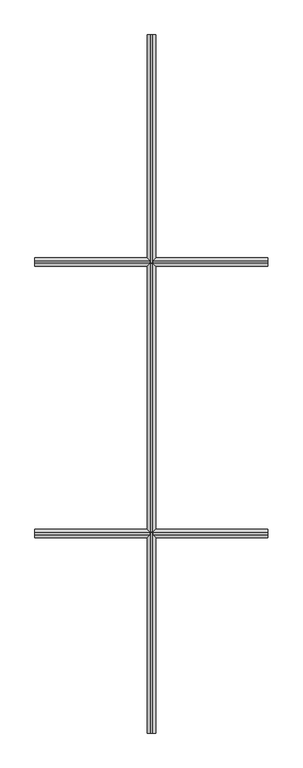
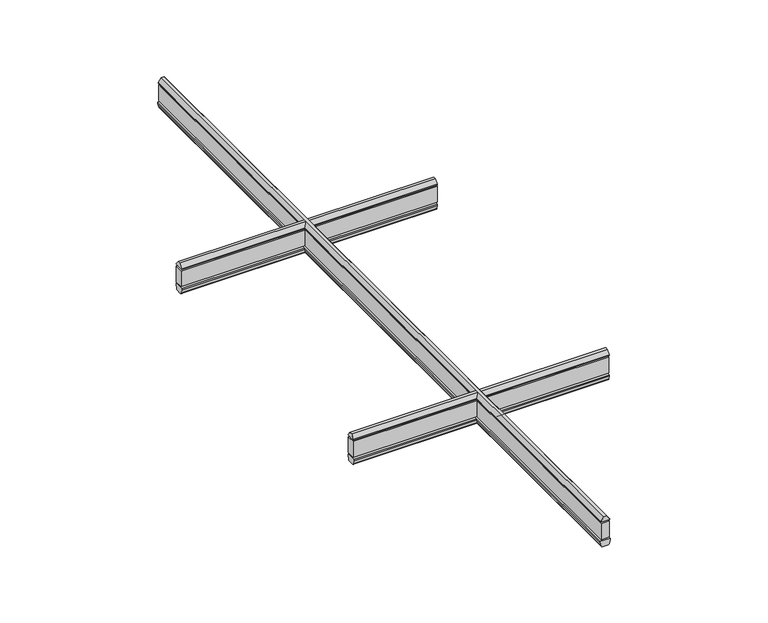
"""IFC4 building model written with IfcOpenShell, lengths in millimetres: proxy geometry."""

from ifc_helpers import new_model, si_unit, point, frame, frame_2d, origin, place, context, project, spatial, polyline, circle_curve, trimmed, segment, composite_curve, outline, extrude, source, transform, mapped, element, save


def generic_models_8a0b7207(model_context):
    return source(origin(), model_context, "Body", "SweptSolid", [
        extrude(outline(polyline([(1.7721638, 107.3820754), (0.0, 107.3820754), (0.0, 129.3820754), (1.7721638, 129.3820754), (11.3, 121.9381139), (11.3, 114.8260369), (1.7721638, 107.3820754)])), frame((0.0, -981.6979433, 0.0), z_axis=(0.0, 1.0, 0.0), x_axis=(0.0, 0.0, 1.0)), (0.0, 0.0, 1.0), 1827.9853193),
        extrude(outline(composite_curve([segment(trimmed(circle_curve(frame_2d((-59.7, 111.6808907)), 3.0), [point((-60.3237351, 108.7464479))], [point((-62.7, 111.6808907))], False, "CARTESIAN"), True, "CONTINUOUS"), segment(polyline([(-62.7, 111.6808907), (-62.7, 125.0832601)]), True, "CONTINUOUS"), segment(trimmed(circle_curve(frame_2d((-59.7, 125.0832601)), 3.0), [point((-62.7, 125.0832601))], [point((-60.3237351, 128.0177029))], False, "CARTESIAN"), True, "CONTINUOUS"), segment(polyline([(-60.3237351, 128.0177029), (-51.5525521, 129.8820754), (-48.0, 129.8820754), (-48.0, 106.8820754), (-51.5525521, 106.8820754), (-60.3237351, 108.7464479)]), True, "CONTINUOUS")], self_intersect=False)), frame((0.0, -981.6979433, 0.0), z_axis=(0.0, 1.0, 0.0), x_axis=(0.0, 0.0, 1.0)), (0.0, 0.0, 1.0), 1827.9853193),
        extrude(outline(polyline([(128.3820754, -981.6979433), (108.3820754, -981.6979433), (108.3820754, 846.287376), (128.3820754, 846.287376), (128.3820754, -981.6979433)])), frame((0.0, 0.0, -44.0237411), z_axis=(0.0, 0.0, 1.0), x_axis=(1.0, 0.0, 0.0)), (0.0, 0.0, 1.0), 40.0237411),
        extrude(outline(polyline([(240.5398889, 1.7721638), (247.9838504, 11.3), (255.0959274, 11.3), (262.5398889, 1.7721638), (262.5398889, 0.0), (240.5398889, 0.0), (240.5398889, 1.7721638)])), frame((-186.6105843, 0.0, 0.0), z_axis=(1.0, 0.0, 0.0), x_axis=(0.0, 1.0, 0.0)), (0.0, 0.0, 1.0), 609.9853193),
        extrude(outline(composite_curve([segment(polyline([(241.9042614, -60.3237351), (240.0398889, -51.5525521), (240.0398889, -48.0), (263.0398889, -48.0), (263.0398889, -51.5525521), (261.1755164, -60.3237351)]), True, "CONTINUOUS"), segment(trimmed(circle_curve(frame_2d((258.2410736, -59.7)), 3.0), [point((261.1755164, -60.3237351))], [point((258.2410736, -62.7))], False, "CARTESIAN"), True, "CONTINUOUS"), segment(polyline([(258.2410736, -62.7), (244.8387042, -62.7)]), True, "CONTINUOUS"), segment(trimmed(circle_curve(frame_2d((244.8387042, -59.7)), 3.0), [point((244.8387042, -62.7))], [point((241.9042614, -60.3237351))], False, "CARTESIAN"), True, "CONTINUOUS")], self_intersect=False)), frame((-186.6105843, 0.0, 0.0), z_axis=(1.0, 0.0, 0.0), x_axis=(0.0, 1.0, 0.0)), (0.0, 0.0, 1.0), 609.9853193),
        extrude(outline(polyline([(423.3747351, 261.5398889), (423.3747351, 241.5398889), (-186.6105843, 241.5398889), (-186.6105843, 261.5398889), (423.3747351, 261.5398889)])), frame((0.0, 0.0, -44.0237411), z_axis=(0.0, 0.0, 1.0), x_axis=(1.0, 0.0, 0.0)), (0.0, 0.0, 1.0), 40.0237411),
        extrude(outline(polyline([(-469.9379716, 1.7721638), (-462.4940102, 11.3), (-455.3819331, 11.3), (-447.9379716, 1.7721638), (-447.9379716, 0.0), (-469.9379716, 0.0), (-469.9379716, 1.7721638)])), frame((-186.6105843, 0.0, 0.0), z_axis=(1.0, 0.0, 0.0), x_axis=(0.0, 1.0, 0.0)), (0.0, 0.0, 1.0), 609.9853193),
        extrude(outline(composite_curve([segment(polyline([(-468.5735991, -60.3237351), (-470.4379716, -51.5525521), (-470.4379716, -48.0), (-447.4379716, -48.0), (-447.4379716, -51.5525521), (-449.3023441, -60.3237351)]), True, "CONTINUOUS"), segment(trimmed(circle_curve(frame_2d((-452.2367869, -59.7)), 3.0), [point((-449.3023441, -60.3237351))], [point((-452.2367869, -62.7))], False, "CARTESIAN"), True, "CONTINUOUS"), segment(polyline([(-452.2367869, -62.7), (-465.6391563, -62.7)]), True, "CONTINUOUS"), segment(trimmed(circle_curve(frame_2d((-465.6391563, -59.7)), 3.0), [point((-465.6391563, -62.7))], [point((-468.5735991, -60.3237351))], False, "CARTESIAN"), True, "CONTINUOUS")], self_intersect=False)), frame((-186.6105843, 0.0, 0.0), z_axis=(1.0, 0.0, 0.0), x_axis=(0.0, 1.0, 0.0)), (0.0, 0.0, 1.0), 609.9853193),
        extrude(outline(polyline([(423.3747351, -448.9379716), (423.3747351, -468.9379716), (-186.6105843, -468.9379716), (-186.6105843, -448.9379716), (423.3747351, -448.9379716)])), frame((0.0, 0.0, -44.0237411), z_axis=(0.0, 0.0, 1.0), x_axis=(1.0, 0.0, 0.0)), (0.0, 0.0, 1.0), 40.0237411),
    ])


if __name__ == "__main__":
    model = new_model("IFC4")
    model_context = context("Model", 3, world=origin())
    ifc_project = project(units=[si_unit("LENGTHUNIT", "METRE", prefix="MILLI")], contexts=[model_context])
    site = spatial("IfcSite", under=ifc_project)
    building = spatial("IfcBuilding", under=site)
    placement = place(None, origin())
    generic_models_shape = generic_models_8a0b7207(model_context)
    element("IfcBuildingElementProxy", 1, Name="Generic Models", at=placement, inside=building, context=model_context, shape_type="MappedRepresentation", body=[
        mapped(generic_models_shape, transform((0.0, 0.0, 0.0), x_axis=(1.0, 0.0, 0.0), y_axis=(0.0, 1.0, 0.0), z_axis=(0.0, 0.0, 1.0))),
    ])
    save(model, "model.ifc")
